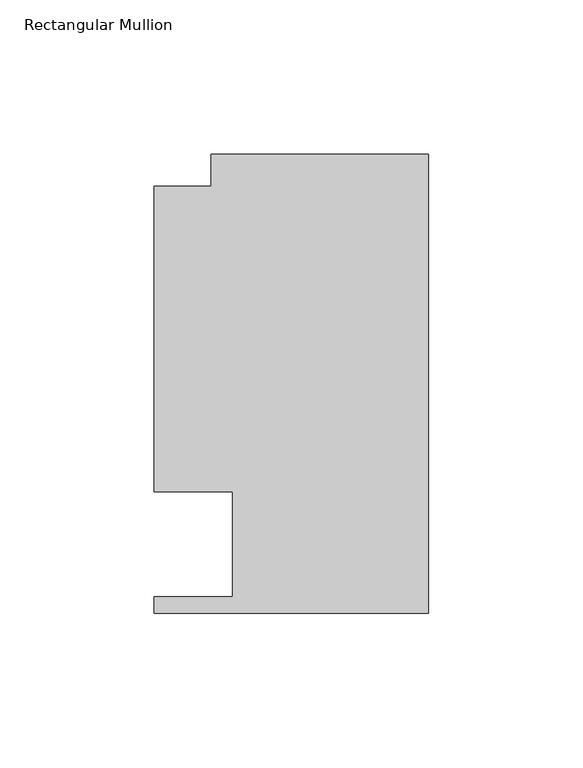
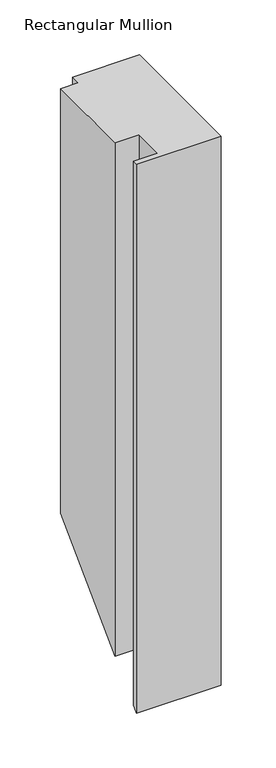
"""IFC4 building model written with IfcOpenShell, lengths in millimetres: member geometry, Rectangular Mullion."""

from ifc_helpers import new_model, si_unit, origin, place, context, project, spatial, faceted_brep, source, transform, mapped, element, save


def rectangular_mullion_6a572ce4(model_context):
    return source(origin(), model_context, "Body", "Brep", [
        faceted_brep([(0.0, 148.737016, 0.0), (-70.3924898, 148.737016, 0.0), (-70.3924898, 138.3230199, 0.0), (-88.9090899, 138.3230199, 0.0), (-88.9090899, 39.3898438, 0.0), (-63.5090899, 39.3898438, 0.0), (-63.5090899, 5.3538437, 0.0), (-88.9090899, 5.3538437, 0.0), (-88.9090899, 0.0198437, 0.0), (0.0, 0.0198437, 0.0), (0.0, 148.737016, -460.862984), (-70.3924898, 148.737016, -460.862984), (-70.3924898, 138.3230199, -471.2769801), (-88.9090899, 138.3230199, -471.2769801), (-88.9090899, 39.3898438, -570.2101562), (-63.5090899, 39.3898438, -570.2101562), (-63.5090899, 5.3538437, -604.2461563), (-88.9090899, 5.3538437, -604.2461563), (-88.9090899, 0.0198437, -609.5801563), (0.0, 0.0198437, -609.5801563)], [[[0, 1, 2, 3, 4, 5, 6, 7, 8, 9]], [[1, 0, 10, 11]], [[2, 1, 11, 12]], [[3, 2, 12, 13]], [[4, 3, 13, 14]], [[5, 4, 14, 15]], [[6, 5, 15, 16]], [[7, 6, 16, 17]], [[8, 7, 17, 18]], [[9, 8, 18, 19]], [[0, 9, 19, 10]], [[10, 19, 18, 17, 16, 15, 14, 13, 12, 11]]]),
    ])


if __name__ == "__main__":
    model = new_model("IFC4")
    model_context = context("Model", 3, world=origin())
    ifc_project = project(units=[si_unit("LENGTHUNIT", "METRE", prefix="MILLI")], contexts=[model_context])
    site = spatial("IfcSite", under=ifc_project)
    building = spatial("IfcBuilding", under=site)
    placement = place(None, origin())
    rectangular_mullion_shape = rectangular_mullion_6a572ce4(model_context)
    element("IfcMember", 1, ObjectType="Rectangular Mullion", at=placement, inside=building, context=model_context, shape_type="MappedRepresentation", body=[
        mapped(rectangular_mullion_shape, transform((0.0, 0.0, 0.0), x_axis=(1.0, 0.0, 0.0), y_axis=(0.0, 1.0, 0.0), z_axis=(0.0, 0.0, 1.0))),
    ])
    save(model, "model.ifc")
